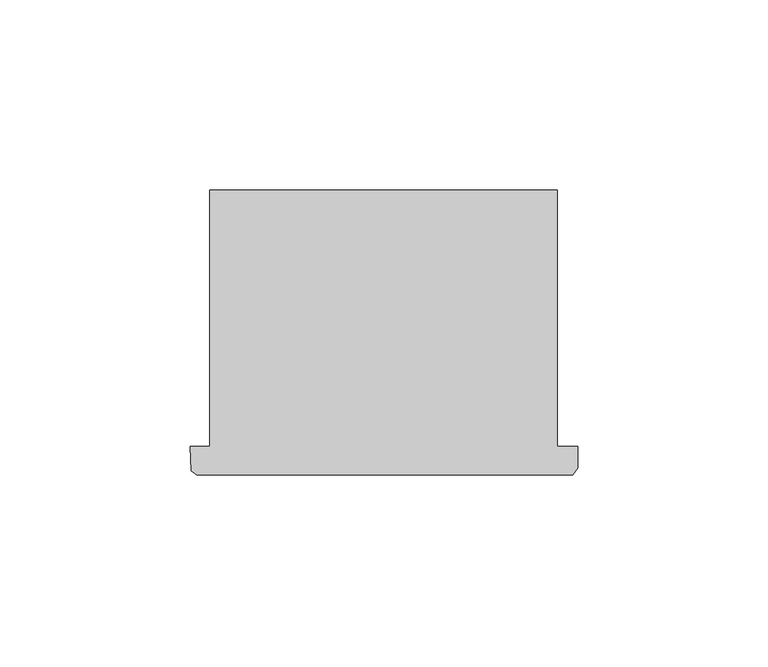
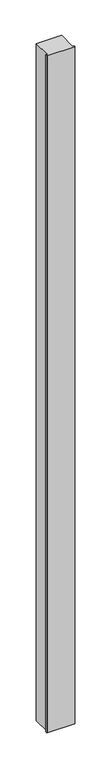
"""IFC4 building model written with IfcOpenShell, lengths in millimetres: column geometry."""

from ifc_helpers import new_model, si_unit, frame, origin, place, context, project, spatial, polyline, outline, extrude, source, transform, mapped, element, save


def column_2e49ed6b(model_context):
    return source(origin(), model_context, "Body", "SweptSolid", [
        extrude(outline(polyline([(69268.9998158, -47261.5927258), (69274.0909664, -47261.5927258), (69274.0909664, -47194.3069066), (69365.2977944, -47194.3069066), (69365.2977944, -47261.5927258), (69370.5998158, -47261.5927258), (69370.5998158, -47267.2853992), (69369.3595592, -47269.05583), (69270.6431196, -47269.05583), (69269.154832, -47267.9737392), (69268.9998158, -47261.5927258)])), frame((0.0, 0.0, 4419.601778), z_axis=(0.0, 0.0, 1.0), x_axis=(1.0, 0.0, 0.0)), (0.0, 0.0, 1.0), 2590.8002025),
        extrude(outline(polyline([(69268.9998158, -47261.5927258), (69274.0909664, -47261.5927258), (69274.0909664, -47194.3069066), (69365.2977944, -47194.3069066), (69365.2977944, -47261.5927258), (69370.5998158, -47261.5927258), (69370.5998158, -47267.2853992), (69369.3595592, -47269.05583), (69270.6431196, -47269.05583), (69269.154832, -47267.9737392), (69268.9998158, -47261.5927258)])), frame((0.0, 0.0, 4419.601778), z_axis=(0.0, 0.0, 1.0), x_axis=(1.0, 0.0, 0.0)), (0.0, 0.0, 1.0), 2590.8002025),
    ])


if __name__ == "__main__":
    model = new_model("IFC4")
    model_context = context("Model", 3, world=origin())
    ifc_project = project(units=[si_unit("LENGTHUNIT", "METRE", prefix="MILLI")], contexts=[model_context])
    site = spatial("IfcSite", under=ifc_project)
    building = spatial("IfcBuilding", under=site)
    placement = place(None, origin())
    column_shape = column_2e49ed6b(model_context)
    element("IfcColumn", 1, at=placement, inside=building, context=model_context, shape_type="MappedRepresentation", body=[
        mapped(column_shape, transform((0.0, 0.0, 0.0), x_axis=(1.0, 0.0, 0.0), y_axis=(0.0, 1.0, 0.0), z_axis=(0.0, 0.0, 1.0))),
    ])
    save(model, "model.ifc")
